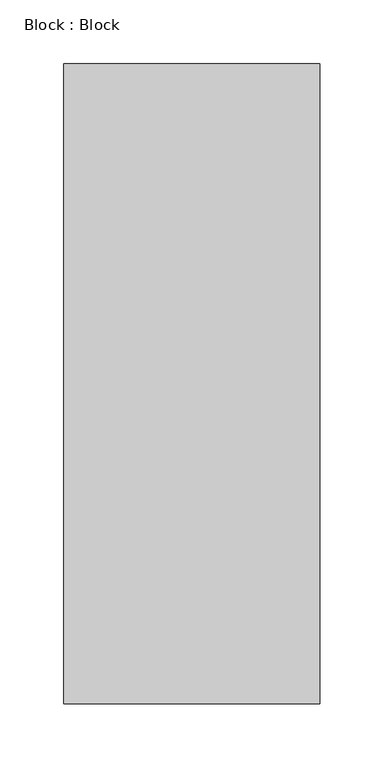
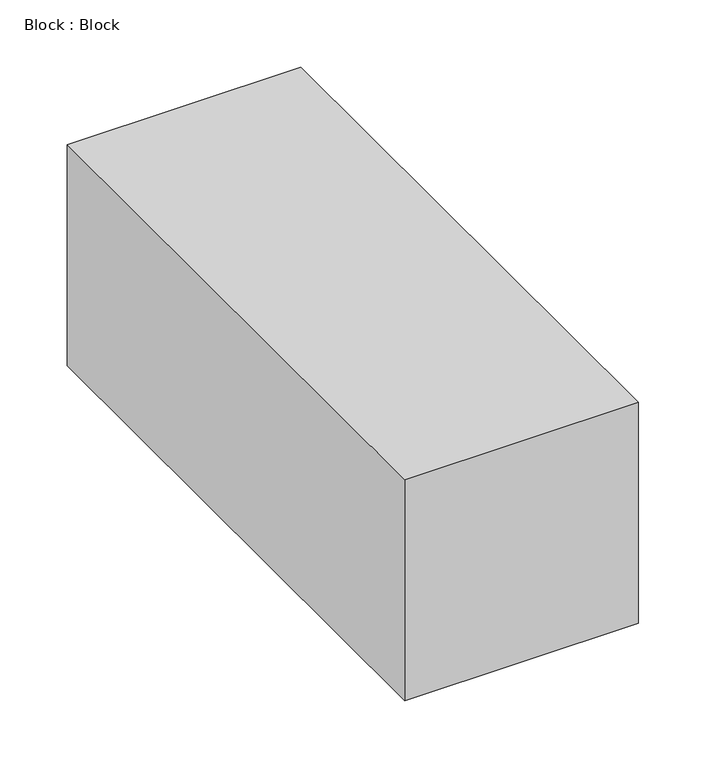
"""IFC4 building model written with IfcOpenShell, lengths in millimetres: proxy geometry, Block : Block."""

from ifc_helpers import new_model, si_unit, frame, origin, place, context, project, spatial, polyline, outline, extrude, source, transform, mapped, element, save


def block_block_bb5e0ed3(model_context):
    return source(origin(), model_context, "Body", "SweptSolid", [
        extrude(outline(polyline([(200.0, 0.0), (200.0, -500.0), (0.0, -500.0), (0.0, 0.0), (200.0, 0.0)])), frame((0.0, 0.0, -100.0), z_axis=(0.0, 0.0, 1.0), x_axis=(1.0, 0.0, 0.0)), (0.0, 0.0, 1.0), 200.0),
    ])


if __name__ == "__main__":
    model = new_model("IFC4")
    model_context = context("Model", 3, world=origin())
    ifc_project = project(units=[si_unit("LENGTHUNIT", "METRE", prefix="MILLI")], contexts=[model_context])
    site = spatial("IfcSite", under=ifc_project)
    building = spatial("IfcBuilding", under=site)
    placement = place(None, origin())
    block_block_shape = block_block_bb5e0ed3(model_context)
    element("IfcBuildingElementProxy", 1, Name="Block : Block", ObjectType="Block : Block", at=placement, inside=building, context=model_context, shape_type="MappedRepresentation", body=[
        mapped(block_block_shape, transform((0.0, 0.0, 0.0), x_axis=(1.0, 0.0, 0.0), y_axis=(0.0, 1.0, 0.0), z_axis=(0.0, 0.0, 1.0))),
    ])
    save(model, "model.ifc")
